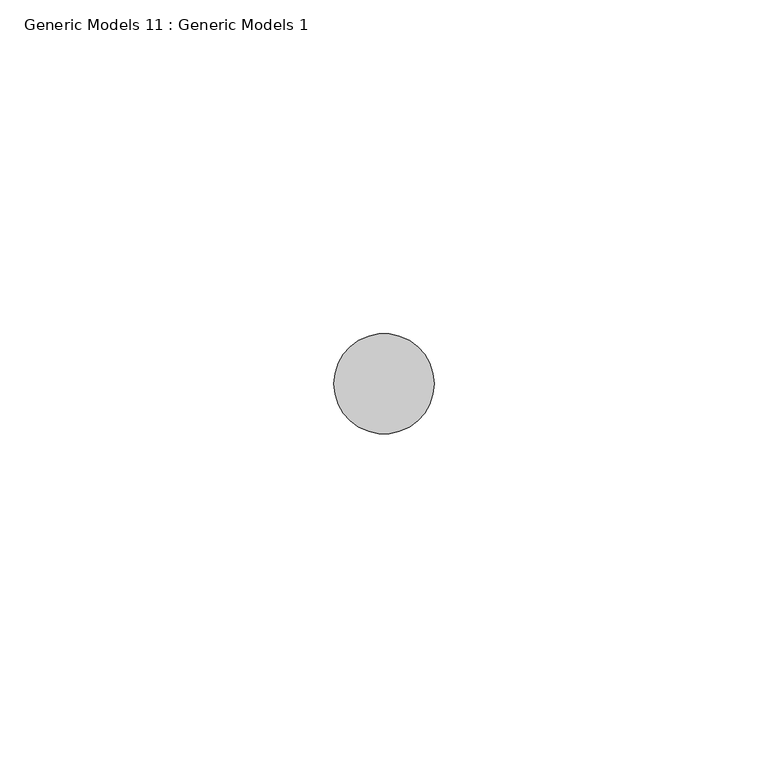
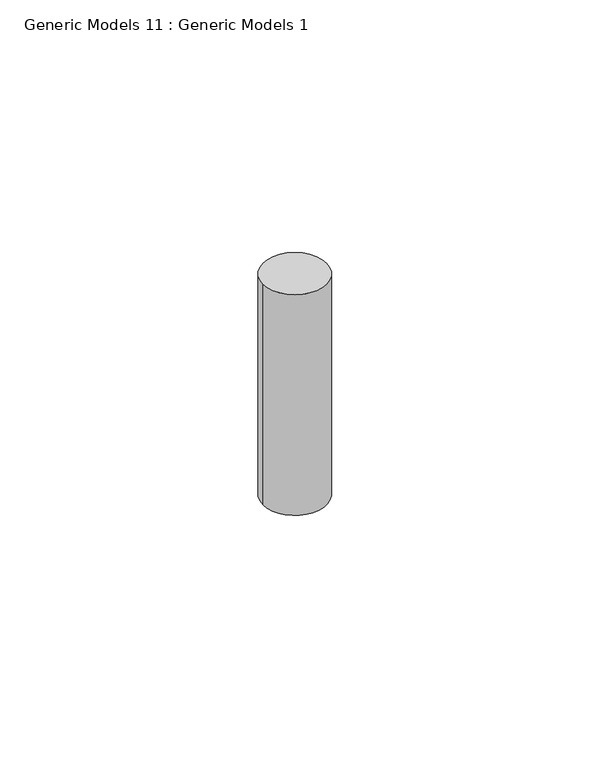
"""IFC4 building model written with IfcOpenShell, lengths in millimetres: proxy geometry, Generic Models 11 : Generic Models 1."""

from ifc_helpers import new_model, si_unit, point, frame, frame_2d, origin, place, context, project, spatial, circle_curve, trimmed, segment, composite_curve, outline, extrude, source, transform, mapped, element, save


def generic_models_11_generic_models_1_63582030(model_context):
    return source(origin(), model_context, "Body", "SweptSolid", [
        extrude(outline(composite_curve([segment(trimmed(circle_curve(frame_2d((4342.1898636, 400.3057469)), 7.5), [point((4349.6898636, 400.3057469))], [point((4334.6898636, 400.3057469))], False, "CARTESIAN"), True, "CONTINUOUS"), segment(trimmed(circle_curve(frame_2d((4342.1898636, 400.3057469)), 7.5), [point((4334.6898636, 400.3057469))], [point((4349.6898636, 400.3057469))], False, "CARTESIAN"), True, "CONTINUOUS")], self_intersect=False)), frame((0.0, 0.0, -839.6691196), z_axis=(0.0, 0.0, 1.0), x_axis=(1.0, 0.0, 0.0)), (0.0, 0.0, 1.0), 55.0000012),
    ])


if __name__ == "__main__":
    model = new_model("IFC4")
    model_context = context("Model", 3, world=origin())
    ifc_project = project(units=[si_unit("LENGTHUNIT", "METRE", prefix="MILLI")], contexts=[model_context])
    site = spatial("IfcSite", under=ifc_project)
    building = spatial("IfcBuilding", under=site)
    placement = place(None, origin())
    generic_models_11_generic_models_1_shape = generic_models_11_generic_models_1_63582030(model_context)
    element("IfcBuildingElementProxy", 1, Name="Generic Models 11 : Generic Models 1", ObjectType="Generic Models 11 : Generic Models 1", at=placement, inside=building, context=model_context, shape_type="MappedRepresentation", body=[
        mapped(generic_models_11_generic_models_1_shape, transform((0.0, 0.0, 0.0), x_axis=(1.0, 0.0, 0.0), y_axis=(0.0, 1.0, 0.0), z_axis=(0.0, 0.0, 1.0))),
    ])
    save(model, "model.ifc")
